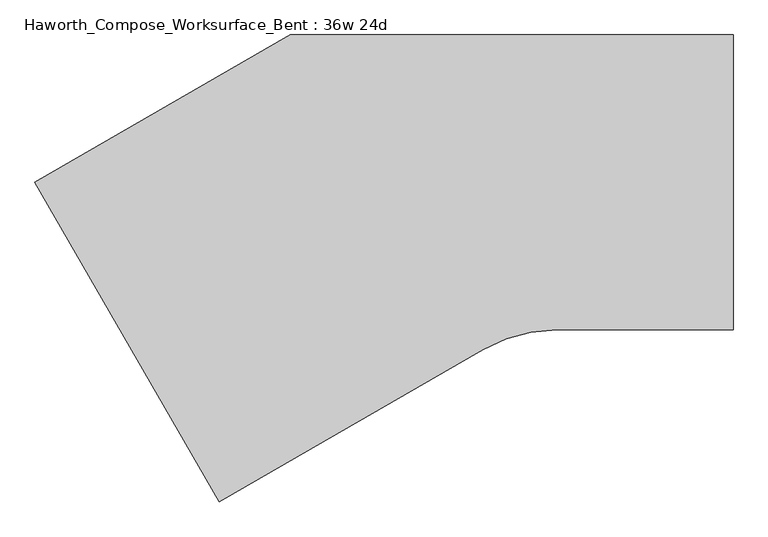
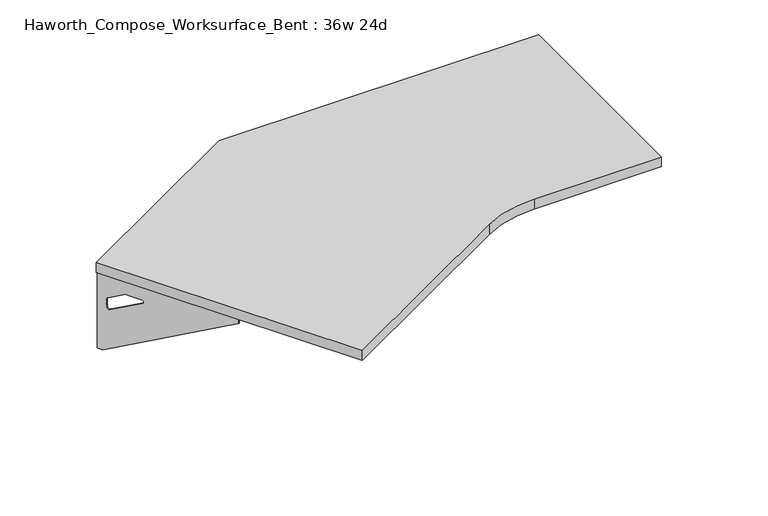
"""IFC4 building model written with IfcOpenShell, lengths in millimetres: furniture geometry, Haworth_Compose_Worksurface_Bent : 36w 24d."""

from ifc_helpers import new_model, si_unit, point, frame, frame_2d, origin, place, context, project, spatial, polyline, circle_curve, trimmed, segment, composite_curve, outline, extrude, source, transform, mapped, element, save
from ifc_brep_helpers import plane_surface, revolved_surface, advanced_brep


def haworth_compose_worksurface_bent_36w_24d_65f1e1ee(model_context):
    return source(origin(), model_context, "Body", "SolidModel", [
        advanced_brep(
        [(146.84375, 304.8, 475.45625), (146.84375, 288.925, 475.45625), (146.84375, -101.6, 691.7192568), (146.84375, -101.6, 704.05625), (146.84375, 288.925, 704.05625), (146.84375, 304.8, 704.05625), (146.84375, 221.490072, 665.95625), (146.84375, 177.8355284, 665.95625), (146.84375, 175.1564235, 656.3705539), (146.84375, 266.8776173, 605.5776439), (146.84375, 276.225, 611.1756969), (146.84375, 276.225, 634.6860246), (146.84375, 274.4730055, 637.5242776), (146.84375, 224.5663437, 665.1613425), (149.225, 304.8, 475.45625), (149.225, 304.8, 704.05625), (149.225, 288.925, 704.05625), (149.225, 288.925, 706.4375), (149.225, -101.6, 706.4375), (149.225, -101.6, 691.7192568), (149.225, 288.925, 475.45625), (149.225, 221.490072, 665.95625), (149.225, 224.5663437, 665.1613425), (149.225, 274.4730055, 637.5242776), (149.225, 276.225, 634.6860246), (149.225, 276.225, 611.1756969), (149.225, 266.8776173, 605.5776439), (149.225, 175.1564235, 656.3705539), (149.225, 177.8355284, 665.95625), (107.95, -101.6, 706.4375), (107.95, -101.6, 704.05625), (107.95, 288.925, 704.05625), (107.95, 288.925, 706.4375)],
        [
            (0, 1),
            (1, 2),
            (2, 3),
            (3, 4),
            (4, 5),
            (5, 0),
            (6, 7),
            (7, 8, circle_curve(frame((146.84375, 177.8355284, 660.7890106), z_axis=(1.0, 0.0, 0.0), x_axis=(0.0, -1.0, 0.0)), 5.1672394)),
            (8, 9),
            (9, 10, circle_curve(frame((146.84375, 269.875, 611.1756969), z_axis=(1.0, 0.0, 0.0), x_axis=(0.0, -1.0, 0.0)), 6.35)),
            (10, 11),
            (11, 12, circle_curve(frame((146.84375, 273.05, 634.6860246), z_axis=(1.0, 0.0, 0.0), x_axis=(0.0, -1.0, 0.0)), 3.175)),
            (12, 13),
            (13, 6, circle_curve(frame((146.84375, 221.490072, 659.60625), z_axis=(1.0, 0.0, 0.0), x_axis=(0.0, -1.0, 0.0)), 6.35)),
            (14, 15),
            (15, 16),
            (16, 17),
            (17, 18),
            (18, 19),
            (19, 20),
            (20, 14),
            (21, 22, circle_curve(frame((149.225, 221.490072, 659.60625), z_axis=(-1.0, 0.0, 0.0), x_axis=(0.0, -1.0, 0.0)), 6.35)),
            (22, 23),
            (23, 24, circle_curve(frame((149.225, 273.05, 634.6860246), z_axis=(-1.0, 0.0, 0.0), x_axis=(0.0, -1.0, 0.0)), 3.175)),
            (24, 25),
            (25, 26, circle_curve(frame((149.225, 269.875, 611.1756969), z_axis=(-1.0, 0.0, 0.0), x_axis=(0.0, -1.0, 0.0)), 6.35)),
            (26, 27),
            (27, 28, circle_curve(frame((149.225, 177.8355284, 660.7890106), z_axis=(-1.0, 0.0, 0.0), x_axis=(0.0, -1.0, 0.0)), 5.1672394)),
            (28, 21),
            (4, 16),
            (15, 5),
            (14, 0),
            (20, 1),
            (19, 2),
            (18, 29),
            (29, 30),
            (30, 3),
            (6, 21),
            (28, 7),
            (9, 26),
            (25, 10),
            (24, 11),
            (23, 12),
            (27, 8),
            (31, 4),
            (30, 31),
            (32, 29),
            (17, 32),
            (31, 32),
            (22, 13),
        ],
        [
            plane_surface(frame((146.84375, 304.8, 475.45625), z_axis=(-1.0, 0.0, 0.0), x_axis=(0.0, 1.0, 0.0))),
            plane_surface(frame((149.225, 304.8, 475.45625), z_axis=(1.0, 0.0, 0.0), x_axis=(0.0, -1.0, 0.0))),
            plane_surface(frame((149.225, -101.6, 704.05625), z_axis=(0.0, 0.0, 1.0), x_axis=(-1.0, 0.0, 0.0))),
            plane_surface(frame((149.225, 304.8, 704.05625), z_axis=(0.0, 1.0, 0.0), x_axis=(-1.0, 0.0, 0.0))),
            plane_surface(frame((149.225, 304.8, 475.45625), z_axis=(0.0, 0.0, -1.0), x_axis=(-1.0, 0.0, 0.0))),
            plane_surface(frame((149.225, 288.925, 475.45625), z_axis=(0.0, -0.48445223513455843, -0.8748177135112952), x_axis=(-1.0, 0.0, 0.0))),
            plane_surface(frame((149.225, -101.6, 691.7192568), z_axis=(0.0, -1.0, 0.0), x_axis=(-1.0, 0.0, 0.0))),
            plane_surface(frame((149.225, 221.490072, 665.95625), z_axis=(0.0, 0.0, -1.0), x_axis=(-1.0, 0.0, 0.0))),
            revolved_surface(polyline([(146.84375, 263.525, 611.1756969), (149.225, 263.525, 611.1756969)]), (149.225, 269.875, 611.1756969), (-1.0, 0.0, 0.0)),
            plane_surface(frame((149.225, 276.225, 611.1756969), z_axis=(0.0, -1.0, 0.0), x_axis=(-1.0, 0.0, 0.0))),
            revolved_surface(polyline([(146.84375, 269.875, 634.6860246), (149.225, 269.875, 634.6860246)]), (149.225, 273.05, 634.6860246), (-1.0, 0.0, 0.0)),
            revolved_surface(polyline([(146.84375, 172.668289, 660.7890106), (149.225, 172.668289, 660.7890106)]), (149.225, 177.8355284, 660.7890106), (-1.0, 0.0, 0.0)),
            plane_surface(frame((149.225, 288.925, 704.05625), z_axis=(0.0, 0.0, -1.0), x_axis=(-1.0, 0.0, 0.0))),
            plane_surface(frame((149.225, 288.925, 706.4375), z_axis=(0.0, 0.0, 1.0), x_axis=(1.0, 0.0, 0.0))),
            plane_surface(frame((107.95, 288.925, 706.4375), z_axis=(0.0, 1.0, 0.0), x_axis=(0.0, 0.0, -1.0))),
            plane_surface(frame((107.95, -101.6, 706.4375), z_axis=(-1.0, 0.0, 0.0), x_axis=(0.0, 0.0, -1.0))),
            plane_surface(frame((149.225, 175.1564235, 656.3705539), z_axis=(0.0, 0.4844522351345583, 0.8748177135112953), x_axis=(-1.0, 0.0, 0.0))),
            plane_surface(frame((149.225, 274.4730055, 637.5242776), z_axis=(0.0, -0.4844522351345582, -0.8748177135112953), x_axis=(-1.0, 0.0, 0.0))),
            revolved_surface(polyline([(146.84375, 215.140072, 659.60625), (149.225, 215.140072, 659.60625)]), (149.225, 221.490072, 659.60625), (-1.0, 0.0, 0.0)),
        ],
        [
            (0, [[1, 2, 3, 4, 5, 6], [7, 8, 9, 10, 11, 12, 13, 14]]),
            (1, [[15, 16, 17, 18, 19, 20, 21], [22, 23, 24, 25, 26, 27, 28, 29]]),
            (2, [[-5, 30, -16, 31]]),
            (3, [[-31, -15, 32, -6]]),
            (4, [[-32, -21, 33, -1]]),
            (5, [[-33, -20, 34, -2]]),
            (6, [[-34, -19, 35, 36, 37, -3]]),
            (7, [[38, -29, 39, -7]]),
            (8, [[40, -26, 41, -10]]),
            (9, [[-41, -25, 42, -11]]),
            (10, [[-42, -24, 43, -12]]),
            (11, [[-39, -28, 44, -8]]),
            (12, [[45, -4, -37, 46]]),
            (13, [[47, -35, -18, 48]]),
            (14, [[-17, -30, -45, 49, -48]]),
            (15, [[-36, -47, -49, -46]]),
            (16, [[-44, -27, -40, -9]]),
            (17, [[-43, -23, 50, -13]]),
            (18, [[-50, -22, -38, -14]]),
        ],
    ),
        advanced_brep(
        [(-1285.1172325, 2.778125, 475.45625), (-1285.1172325, 2.778125, 704.05625), (-1277.1797325, -10.9700283, 704.05625), (-1081.9172325, -349.1745991, 704.05625), (-1081.9172325, -349.1745991, 691.7192568), (-1277.1797325, -10.9700283, 475.45625), (-1243.4622685, -69.370389, 665.95625), (-1245.0004043, -66.7062596, 665.1613425), (-1269.9537353, -23.4858226, 637.5242776), (-1270.8297325, -21.9685509, 634.6860246), (-1270.8297325, -21.9685509, 611.1756969), (-1266.1560412, -30.0636218, 605.5776439), (-1220.2954442, -109.4965057, 656.3705539), (-1221.6349967, -107.1763328, 665.95625), (-1287.1794555, 1.5875, 475.45625), (-1279.2419555, -12.1606533, 475.45625), (-1083.9794555, -350.3652241, 691.7192568), (-1083.9794555, -350.3652241, 706.4375), (-1279.2419555, -12.1606533, 706.4375), (-1279.2419555, -12.1606533, 704.05625), (-1287.1794555, 1.5875, 704.05625), (-1245.5244915, -70.561014, 665.95625), (-1223.6972197, -108.3669578, 665.95625), (-1222.3576672, -110.6871307, 656.3705539), (-1268.2182641, -31.2542468, 605.5776439), (-1272.8919555, -23.1591759, 611.1756969), (-1272.8919555, -23.1591759, 634.6860246), (-1272.0159583, -24.6764476, 637.5242776), (-1247.0626273, -67.8968846, 665.1613425), (-1048.2342569, -329.7277241, 704.05625), (-1048.2342569, -329.7277241, 706.4375), (-1243.4967569, 8.4768467, 704.05625), (-1243.4967569, 8.4768467, 706.4375)],
        [
            (0, 1),
            (1, 2),
            (2, 3),
            (3, 4),
            (4, 5),
            (5, 0),
            (6, 7, circle_curve(frame((-1243.4622685, -69.370389, 659.60625), z_axis=(-0.8660254037844367, -0.5000000000000036, 0.0), x_axis=(0.5000000000000034, -0.8660254037844365, 0.0)), 6.35)),
            (7, 8),
            (8, 9, circle_curve(frame((-1269.2422325, -24.7181816, 634.6860246), z_axis=(-0.8660254037844367, -0.5000000000000036, 0.0), x_axis=(0.5000000000000034, -0.8660254037844365, 0.0)), 3.175)),
            (9, 10),
            (10, 11, circle_curve(frame((-1267.6547325, -27.4678122, 611.1756969), z_axis=(-0.8660254037844367, -0.5000000000000036, 0.0), x_axis=(0.5000000000000034, -0.8660254037844365, 0.0)), 6.35)),
            (11, 12),
            (12, 13, circle_curve(frame((-1221.6349967, -107.1763328, 660.7890106), z_axis=(-0.8660254037844367, -0.5000000000000036, 0.0), x_axis=(0.5000000000000034, -0.8660254037844365, 0.0)), 5.1672394)),
            (13, 6),
            (14, 15),
            (15, 16),
            (16, 17),
            (17, 18),
            (18, 19),
            (19, 20),
            (20, 14),
            (21, 22),
            (22, 23, circle_curve(frame((-1223.6972197, -108.3669578, 660.7890106), z_axis=(0.8660254037844367, 0.5000000000000036, 0.0), x_axis=(0.5000000000000034, -0.8660254037844365, 0.0)), 5.1672394)),
            (23, 24),
            (24, 25, circle_curve(frame((-1269.7169555, -28.6584372, 611.1756969), z_axis=(0.8660254037844367, 0.5000000000000036, 0.0), x_axis=(0.5000000000000034, -0.8660254037844365, 0.0)), 6.35)),
            (25, 26),
            (26, 27, circle_curve(frame((-1271.3044555, -25.9088066, 634.6860246), z_axis=(0.8660254037844367, 0.5000000000000036, 0.0), x_axis=(0.5000000000000034, -0.8660254037844365, 0.0)), 3.175)),
            (27, 28),
            (28, 21, circle_curve(frame((-1245.5244915, -70.561014, 659.60625), z_axis=(0.8660254037844367, 0.5000000000000036, 0.0), x_axis=(0.5000000000000034, -0.8660254037844365, 0.0)), 6.35)),
            (1, 20),
            (19, 2),
            (0, 14),
            (5, 15),
            (4, 16),
            (3, 29),
            (29, 30),
            (30, 17),
            (13, 22),
            (21, 6),
            (10, 25),
            (24, 11),
            (9, 26),
            (8, 27),
            (12, 23),
            (31, 29),
            (2, 31),
            (32, 18),
            (30, 32),
            (32, 31),
            (7, 28),
        ],
        [
            plane_surface(frame((-1285.1172325, 2.778125, 475.45625), z_axis=(0.8660254037844367, 0.5000000000000036, 0.0), x_axis=(-0.5000000000000036, 0.8660254037844367, 0.0))),
            plane_surface(frame((-1287.1794555, 1.5875, 475.45625), z_axis=(-0.8660254037844367, -0.5000000000000036, 0.0), x_axis=(0.5000000000000036, -0.8660254037844367, 0.0))),
            plane_surface(frame((-1083.9794555, -350.3652241, 704.05625), z_axis=(0.0, 0.0, 1.0), x_axis=(0.8660254037844358, 0.500000000000005, 0.0))),
            plane_surface(frame((-1287.1794555, 1.5875, 704.05625), z_axis=(-0.500000000000005, 0.8660254037844358, 0.0), x_axis=(0.8660254037844358, 0.500000000000005, 0.0))),
            plane_surface(frame((-1287.1794555, 1.5875, 475.45625), z_axis=(0.0, 0.0, -1.0), x_axis=(0.8660254037844358, 0.500000000000005, 0.0))),
            plane_surface(frame((-1279.2419555, -12.1606533, 475.45625), z_axis=(0.24222611756728163, -0.41954794254667843, -0.8748177135112951), x_axis=(0.8660254037844358, 0.500000000000005, 0.0))),
            plane_surface(frame((-1083.9794555, -350.3652241, 691.7192568), z_axis=(0.500000000000005, -0.8660254037844358, 0.0), x_axis=(0.8660254037844358, 0.500000000000005, 0.0))),
            plane_surface(frame((-1245.5244915, -70.561014, 665.95625), z_axis=(0.0, 0.0, -1.0), x_axis=(0.8660254037844358, 0.500000000000005, 0.0))),
            revolved_surface(polyline([(-1264.4797325018096, -32.96707351089683, 611.1756969), (-1266.5419555060757, -34.15769851753894, 611.1756969)]), (-1269.7169555, -28.6584372, 611.1756969), (0.8660254037844365, 0.5000000000000034, 0.0)),
            plane_surface(frame((-1272.8919555, -23.1591759, 611.1756969), z_axis=(0.500000000000005, -0.8660254037844358, 0.0), x_axis=(0.8660254037844358, 0.500000000000005, 0.0))),
            revolved_surface(polyline([(-1267.6547324831968, -27.46781224313527, 634.6860246), (-1269.7169554999998, -28.658437257015585, 634.6860246)]), (-1271.3044555, -25.9088066, 634.6860246), (0.8660254037844365, 0.5000000000000034, 0.0)),
            revolved_surface(polyline([(-1219.0513769630957, -111.6512933623501, 660.7890106), (-1221.1136, -112.84191838783585, 660.7890106)]), (-1223.6972197, -108.3669578, 660.7890106), (0.8660254037844365, 0.5000000000000034, 0.0)),
            plane_surface(frame((-1279.2419555, -12.1606533, 704.05625), z_axis=(0.0, 0.0, -1.0), x_axis=(0.866025403784437, 0.5000000000000029, 0.0))),
            plane_surface(frame((-1279.2419555, -12.1606533, 706.4375), z_axis=(0.0, 0.0, 1.0), x_axis=(-0.866025403784437, -0.5000000000000029, 0.0))),
            plane_surface(frame((-1243.4967569, 8.4768467, 706.4375), z_axis=(-0.5000000000000029, 0.866025403784437, 0.0), x_axis=(0.0, 0.0, -1.0))),
            plane_surface(frame((-1048.2342569, -329.7277241, 706.4375), z_axis=(0.8660254037844367, 0.5000000000000036, 0.0), x_axis=(0.0, 0.0, -1.0))),
            plane_surface(frame((-1222.3576672, -110.6871307, 656.3705539), z_axis=(-0.24222611756728157, 0.4195479425466783, 0.8748177135112953), x_axis=(0.8660254037844358, 0.500000000000005, 0.0))),
            plane_surface(frame((-1272.0159583, -24.6764476, 637.5242776), z_axis=(0.24222611756728155, -0.41954794254667827, -0.8748177135112954), x_axis=(0.8660254037844358, 0.500000000000005, 0.0))),
            revolved_surface(polyline([(-1240.287268482125, -74.86965029953195, 659.60625), (-1242.3494915, -76.06027531403117, 659.60625)]), (-1245.5244915, -70.561014, 659.60625), (0.8660254037844365, 0.5000000000000034, 0.0)),
        ],
        [
            (0, [[1, 2, 3, 4, 5, 6], [7, 8, 9, 10, 11, 12, 13, 14]]),
            (1, [[15, 16, 17, 18, 19, 20, 21], [22, 23, 24, 25, 26, 27, 28, 29]]),
            (2, [[30, -20, 31, -2]]),
            (3, [[-1, 32, -21, -30]]),
            (4, [[-6, 33, -15, -32]]),
            (5, [[-5, 34, -16, -33]]),
            (6, [[-4, 35, 36, 37, -17, -34]]),
            (7, [[-14, 38, -22, 39]]),
            (8, [[-11, 40, -25, 41]]),
            (9, [[-10, 42, -26, -40]]),
            (10, [[-9, 43, -27, -42]]),
            (11, [[-13, 44, -23, -38]]),
            (12, [[45, -35, -3, 46]]),
            (13, [[47, -18, -37, 48]]),
            (14, [[-47, 49, -46, -31, -19]]),
            (15, [[-45, -49, -48, -36]]),
            (16, [[-12, -41, -24, -44]]),
            (17, [[-8, 50, -28, -43]]),
            (18, [[-7, -39, -29, -50]]),
        ],
    ),
        extrude(outline(composite_curve([segment(polyline([(-762.0, 304.8), (152.4, 304.8), (152.4, -304.8), (-212.1872584, -304.8)]), True, "CONTINUOUS"), segment(trimmed(circle_curve(frame_2d((-212.1872584, -609.6)), 304.8), [point((-212.1872584, -304.8))], [point((-364.5872584, -345.6354569))], True, "CARTESIAN"), True, "CONTINUOUS"), segment(polyline([(-364.5872584, -345.6354569), (-908.9290861, -659.9113577), (-1289.9290861, 0.0), (-762.0, 304.8)]), True, "CONTINUOUS")], self_intersect=False)), frame((0.0, 0.0, 706.4375), z_axis=(0.0, 0.0, 1.0), x_axis=(1.0, 0.0, 0.0)), (0.0, 0.0, 1.0), 30.1625),
    ])


if __name__ == "__main__":
    model = new_model("IFC4")
    model_context = context("Model", 3, world=origin())
    ifc_project = project(units=[si_unit("LENGTHUNIT", "METRE", prefix="MILLI")], contexts=[model_context])
    site = spatial("IfcSite", under=ifc_project)
    building = spatial("IfcBuilding", under=site)
    placement = place(None, origin())
    haworth_compose_worksurface_bent_36w_24d_shape = haworth_compose_worksurface_bent_36w_24d_65f1e1ee(model_context)
    element("IfcFurniture", 1, ObjectType="Haworth_Compose_Worksurface_Bent : 36w 24d", at=placement, inside=building, context=model_context, shape_type="MappedRepresentation", body=[
        mapped(haworth_compose_worksurface_bent_36w_24d_shape, transform((0.0, 0.0, 0.0), x_axis=(1.0, 0.0, 0.0), y_axis=(0.0, 1.0, 0.0), z_axis=(0.0, 0.0, 1.0))),
    ])
    save(model, "model.ifc")
